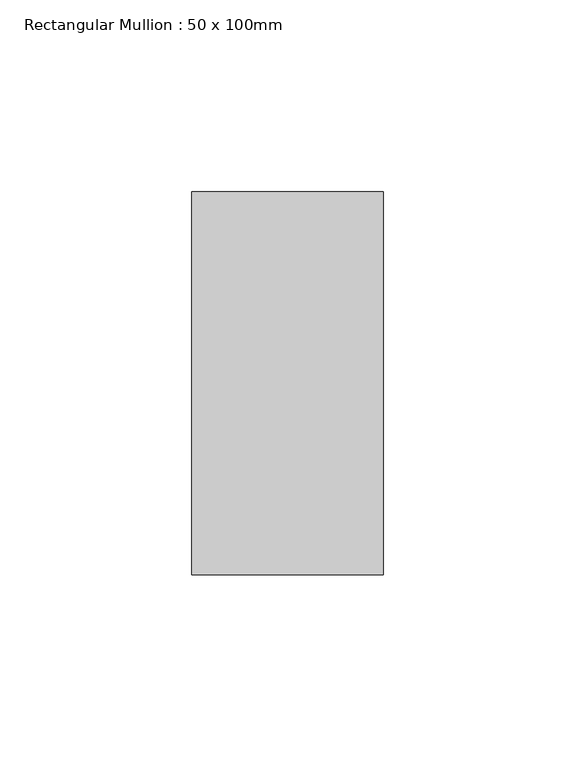
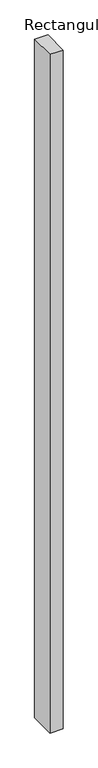
"""IFC4 building model written with IfcOpenShell, lengths in millimetres: member geometry, Rectangular Mullion : 50 x 100mm."""

import ifcopenshell
import ifcopenshell.guid

model = None  # the IFC model being written
_history = None  # IfcOwnerHistory: only IFC2X3 demands one
_inside = {}  # id of a spatial element -> (the spatial element, [elements in it])
_under = {}  # id of a project, library or spatial element -> (it, [spatial elements below it])
_declared = {}  # id of a project -> (the project, [libraries it declares])
_typed = {}  # id of a type object -> (the type object, [elements of that type])
_made_of = {}  # id of a material, layer set ... -> (it, [elements and type objects made of it])


def new_model(schema):
    """Start an empty IFC model of exactly this schema.

    Asked for "IFC4X3", IfcOpenShell would pick the latest addendum, in which some entities
    have other attributes; the version numbers below select the first issue.
    IFC2X3 requires an IfcOwnerHistory on every rooted entity: one is made here for all.
    """
    global model, _history
    if schema == "IFC4X3":
        model = ifcopenshell.file(schema_version=(4, 3, 0, 0))
    else:
        model = ifcopenshell.file(schema=schema)
    _inside.clear()
    _under.clear()
    _declared.clear()
    _typed.clear()
    _made_of.clear()
    _history = None
    if model.schema == "IFC2X3":
        org = make("IfcOrganization", Name="unknown")
        user = make(
            "IfcPersonAndOrganization",
            ThePerson=make("IfcPerson", FamilyName="unknown"),
            TheOrganization=org,
        )
        app = make(
            "IfcApplication",
            ApplicationDeveloper=org,
            Version="unknown",
            ApplicationFullName="unknown",
            ApplicationIdentifier="unknown",
        )
        _history = make(
            "IfcOwnerHistory",
            OwningUser=user,
            OwningApplication=app,
            ChangeAction="ADDED",
            CreationDate=0,
        )
    return model


def make(cls, **values):
    """One entity of the class cls with the attributes given. An attribute that is None is left unset."""
    return model.create_entity(
        cls, **{name: value for name, value in values.items() if value is not None}
    )


def rooted(cls, **values):
    """An entity with a GlobalId (a new one), such as an element, a storey or a relation."""
    return make(cls, GlobalId=ifcopenshell.guid.new(), OwnerHistory=_history, **values)


def si_unit(unit_type, name, prefix=None):
    """IfcSIUnit, for example si_unit("LENGTHUNIT", "METRE", prefix="MILLI")."""
    return make("IfcSIUnit", UnitType=unit_type, Prefix=prefix, Name=name)


def assignment(units):
    """IfcUnitAssignment: the units of a project."""
    return None if units is None else make("IfcUnitAssignment", Units=units)


def point(xyz):
    """IfcCartesianPoint."""
    return None if xyz is None else make("IfcCartesianPoint", Coordinates=xyz)


def direction(xyz):
    """IfcDirection."""
    return None if xyz is None else make("IfcDirection", DirectionRatios=xyz)


def frame(location, z_axis=None, x_axis=None):
    """IfcAxis2Placement3D, a coordinate frame: its origin and axes. An axis left out is left unset."""
    return make(
        "IfcAxis2Placement3D",
        Location=point(location),
        Axis=direction(z_axis),
        RefDirection=direction(x_axis),
    )


def origin():
    """The frame at (0, 0, 0) with its axes left unset."""
    return frame((0.0, 0.0, 0.0))


def place(relative_to, where):
    """IfcLocalPlacement: puts the frame where relative to a parent placement (None: the world)."""
    return make(
        "IfcLocalPlacement", PlacementRelTo=relative_to, RelativePlacement=where
    )


def context(
    kind, dimensions, precision=None, world=None, true_north=None, identifier=None
):
    """IfcGeometricRepresentationContext, for example the 3D "Model" context."""
    return make(
        "IfcGeometricRepresentationContext",
        ContextIdentifier=identifier,
        ContextType=kind,
        CoordinateSpaceDimension=dimensions,
        Precision=precision,
        WorldCoordinateSystem=world,
        TrueNorth=true_north,
    )


def project(units=None, contexts=None):
    """IfcProject with its units and contexts."""
    return rooted(
        "IfcProject",
        Name="project",
        RepresentationContexts=contexts,
        UnitsInContext=assignment(units),
    )


def spatial(cls, under=None, at=None, **own):
    """A site, building, storey or space (cls), placed at a placement, below another one or the project."""
    s = rooted(cls, ObjectPlacement=at, **own)
    if under is not None:
        _under.setdefault(under.id(), (under, []))[1].append(s)
    return s


def polyline(points):
    """IfcPolyline through the points."""
    return make("IfcPolyline", Points=[point(p) for p in points])


def outline(outer, holes=None, kind="AREA"):
    """IfcArbitraryClosedProfileDef: a profile drawn as a closed curve; with holes, ...WithVoids."""
    if holes is None:
        return make("IfcArbitraryClosedProfileDef", ProfileType=kind, OuterCurve=outer)
    return make(
        "IfcArbitraryProfileDefWithVoids",
        ProfileType=kind,
        OuterCurve=outer,
        InnerCurves=holes,
    )


def extrude(swept, where, along, depth):
    """IfcExtrudedAreaSolid: the profile swept, set in the frame where, extruded along a direction by depth."""
    return make(
        "IfcExtrudedAreaSolid",
        SweptArea=swept,
        Position=where,
        ExtrudedDirection=direction(along),
        Depth=depth,
    )


def shape(context_of_items, identifier, shape_type, items):
    """IfcShapeRepresentation: the items that make up one representation, for example the "Body"."""
    return make(
        "IfcShapeRepresentation",
        ContextOfItems=context_of_items,
        RepresentationIdentifier=identifier,
        RepresentationType=shape_type,
        Items=items,
    )


def source(mapping_origin, context_of_items, identifier, shape_type, items):
    """IfcRepresentationMap: a shape defined once, which mapped items show again and again."""
    return make(
        "IfcRepresentationMap",
        MappingOrigin=mapping_origin,
        MappedRepresentation=shape(context_of_items, identifier, shape_type, items),
    )


def transform(
    local_origin,
    x_axis=None,
    y_axis=None,
    z_axis=None,
    scale=None,
    scale2=None,
    scale3=None,
    uniform=True,
):
    """IfcCartesianTransformationOperator3D, or its non-uniform kind. x_axis, y_axis, z_axis: its Axis1, 2, 3."""
    if uniform:
        return make(
            "IfcCartesianTransformationOperator3D",
            Axis1=direction(x_axis),
            Axis2=direction(y_axis),
            LocalOrigin=point(local_origin),
            Scale=scale,
            Axis3=direction(z_axis),
        )
    return make(
        "IfcCartesianTransformationOperator3DnonUniform",
        Axis1=direction(x_axis),
        Axis2=direction(y_axis),
        LocalOrigin=point(local_origin),
        Scale=scale,
        Axis3=direction(z_axis),
        Scale2=scale2,
        Scale3=scale3,
    )


def mapped(mapping_source, mapping_target):
    """IfcMappedItem: shows the shape of a source again, moved by a transform."""
    return make(
        "IfcMappedItem", MappingSource=mapping_source, MappingTarget=mapping_target
    )


def made_of(thing, what):
    """Note that an element or type object is made of a material, layer set ...; save() writes the relation."""
    if what is not None:
        _made_of.setdefault(what.id(), (what, []))[1].append(thing)
    return thing


def element(
    cls,
    number,
    at=None,
    inside=None,
    cuts=None,
    type_object=None,
    material=None,
    context=None,
    identifier="Body",
    shape_type=None,
    held_by="IfcProductDefinitionShape",
    body=None,
    shapes=None,
    **own,
):
    """One element of the class cls, such as IfcWall. Its Tag is "e" and its number.

    at: its placement. inside: the storey or other place that contains it. cuts: it is an
    opening in that element (IfcRelVoidsElement). A single representation is given by context,
    identifier, shape_type and body (its items); several are given by shapes. held_by: the class
    of the entity that holds the representations. save() writes the other relations.
    """
    e = rooted(cls, Tag="e%d" % number, ObjectPlacement=at, **own)
    if body is not None:
        shapes = [shape(context, identifier, shape_type, body)]
    if shapes is not None:
        e.Representation = make(held_by, Representations=shapes)
    if inside is not None:
        _inside.setdefault(inside.id(), (inside, []))[1].append(e)
    if cuts is not None:
        rooted(
            "IfcRelVoidsElement", RelatingBuildingElement=cuts, RelatedOpeningElement=e
        )
    if type_object is not None:
        _typed.setdefault(type_object.id(), (type_object, []))[1].append(e)
    return made_of(e, material)


def aggregate(whole, parts):
    """IfcRelAggregates: a whole, such as a stair, and the parts it consists of."""
    return rooted("IfcRelAggregates", RelatingObject=whole, RelatedObjects=parts)


def save(model, path):
    """Write the relations noted so far, then the file.

    IfcRelAggregates (storeys below a building ...), IfcRelContainedInSpatialStructure (elements
    in a storey), IfcRelDefinesByType, IfcRelAssociatesMaterial and IfcRelDeclares: one each for
    every whole, place, type object, material and project.
    """
    for whole, parts in _under.values():
        aggregate(whole, parts)
    for where, things in _inside.values():
        rooted(
            "IfcRelContainedInSpatialStructure",
            RelatedElements=things,
            RelatingStructure=where,
        )
    for kind, things in _typed.values():
        rooted("IfcRelDefinesByType", RelatedObjects=things, RelatingType=kind)
    for what, things in _made_of.values():
        rooted("IfcRelAssociatesMaterial", RelatedObjects=things, RelatingMaterial=what)
    for by, libraries in _declared.values():
        rooted("IfcRelDeclares", RelatingContext=by, RelatedDefinitions=libraries)
    model.write(path)


def rectangular_mullion_50_x_100mm_062c1cf3(model_context):
    return source(origin(), model_context, "Body", "SweptSolid", [
        extrude(outline(polyline([(0.0, 50.0), (0.0, -50.0), (-50.0, -50.0), (-50.0, 50.0), (0.0, 50.0)])), frame((0.0, 0.0, -2725.0), z_axis=(0.0, 0.0, 1.0), x_axis=(1.0, 0.0, 0.0)), (0.0, 0.0, 1.0), 2725.0),
    ])


if __name__ == "__main__":
    model = new_model("IFC4")
    model_context = context("Model", 3, world=origin())
    ifc_project = project(units=[si_unit("LENGTHUNIT", "METRE", prefix="MILLI")], contexts=[model_context])
    site = spatial("IfcSite", under=ifc_project)
    building = spatial("IfcBuilding", under=site)
    placement = place(None, origin())
    rectangular_mullion_50_x_100mm_shape = rectangular_mullion_50_x_100mm_062c1cf3(model_context)
    element("IfcMember", 1, ObjectType="Rectangular Mullion : 50 x 100mm", at=placement, inside=building, context=model_context, shape_type="MappedRepresentation", body=[
        mapped(rectangular_mullion_50_x_100mm_shape, transform((0.0, 0.0, 0.0), x_axis=(1.0, 0.0, 0.0), y_axis=(0.0, 1.0, 0.0), z_axis=(0.0, 0.0, 1.0))),
    ])
    save(model, "model.ifc")
